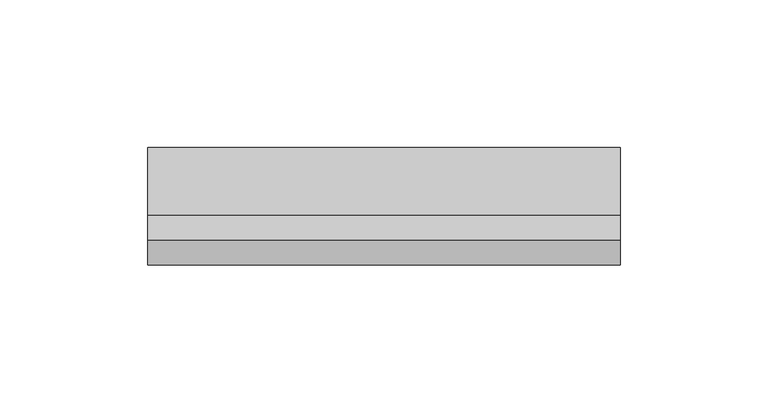
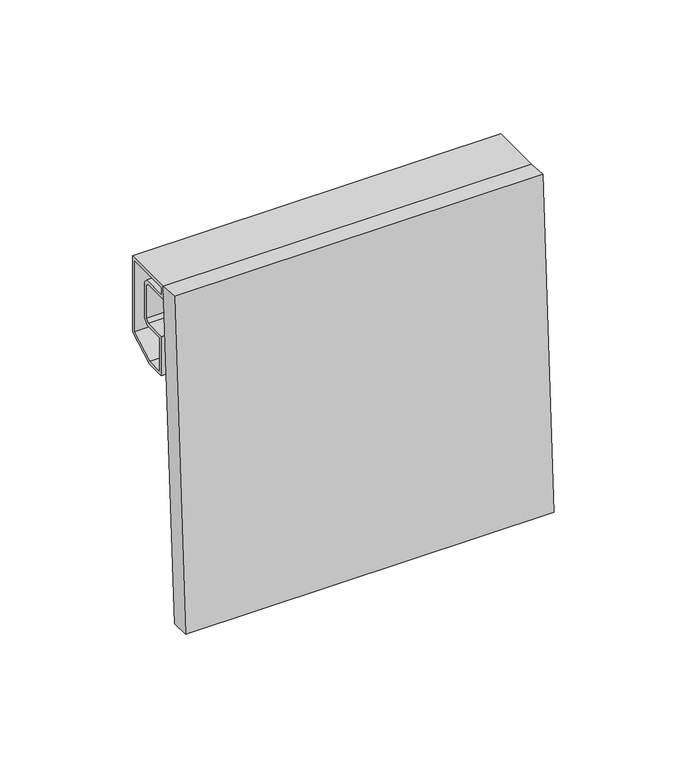
"""IFC4 building model written with IfcOpenShell, lengths in millimetres: plate geometry."""

from ifc_helpers import new_model, si_unit, frame, origin, place, context, project, spatial, polyline, outline, extrude, source, transform, mapped, element, save


def plate_4b1bfb0f(model_context):
    return source(origin(), model_context, "Body", "SweptSolid", [
        extrude(outline(polyline([(0.0, 8.5), (160.0, 8.5), (160.0, 0.0), (0.0, 0.0), (0.0, 8.5)])), frame((80.0, -8.3197186, 0.0), z_axis=(0.0, 0.05537967254200356, 0.9984653683874772), x_axis=(-1.0, 0.0, 0.0)), (0.0, 0.0, 1.0), 150.2305485),
        extrude(outline(polyline([(23.0, 115.1685791), (10.3922729, 108.0), (1.5, 108.0), (1.5, 126.0), (11.5857849, 126.0), (13.0, 127.4142151), (13.0, 142.5857849), (11.5857849, 144.0), (0.0, 144.0), (0.0, 150.0), (23.0, 150.0), (23.0, 115.1685791)]), holes=[polyline([(1.5, 148.5), (1.5, 145.5), (12.2071053, 145.5), (14.5, 143.2071053), (14.5, 126.7928947), (12.2071053, 124.5), (3.0, 124.5), (3.0, 109.5), (9.9956483, 109.5), (21.5, 116.0412151), (21.5, 148.5), (1.5, 148.5)])]), frame((-80.0, 0.0, 0.0), z_axis=(1.0, 0.0, 0.0), x_axis=(0.0, 1.0, 0.0)), (0.0, 0.0, 1.0), 160.0),
    ])


if __name__ == "__main__":
    model = new_model("IFC4")
    model_context = context("Model", 3, world=origin())
    ifc_project = project(units=[si_unit("LENGTHUNIT", "METRE", prefix="MILLI")], contexts=[model_context])
    site = spatial("IfcSite", under=ifc_project)
    building = spatial("IfcBuilding", under=site)
    placement = place(None, origin())
    plate_shape = plate_4b1bfb0f(model_context)
    element("IfcPlate", 1, at=placement, inside=building, context=model_context, shape_type="MappedRepresentation", body=[
        mapped(plate_shape, transform((0.0, 0.0, 0.0), x_axis=(1.0, 0.0, 0.0), y_axis=(0.0, 1.0, 0.0), z_axis=(0.0, 0.0, 1.0))),
    ])
    save(model, "model.ifc")
